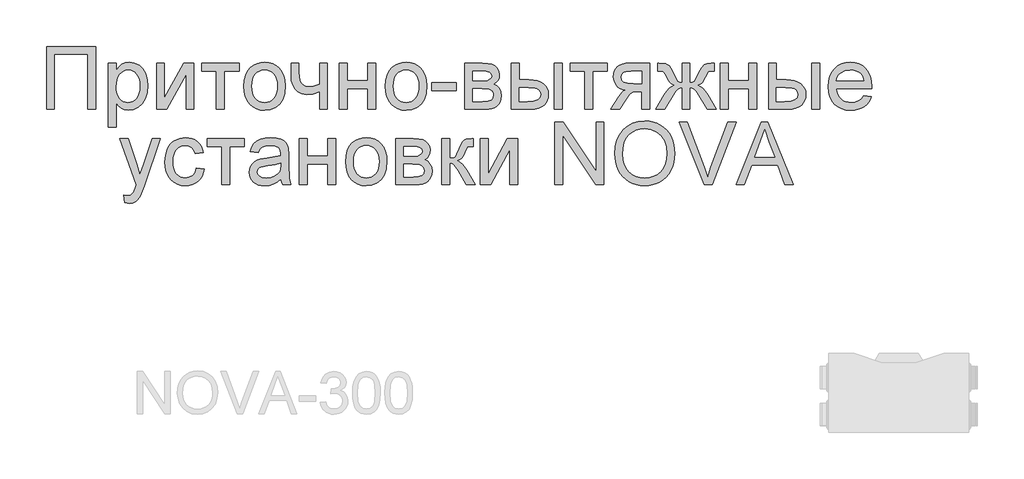
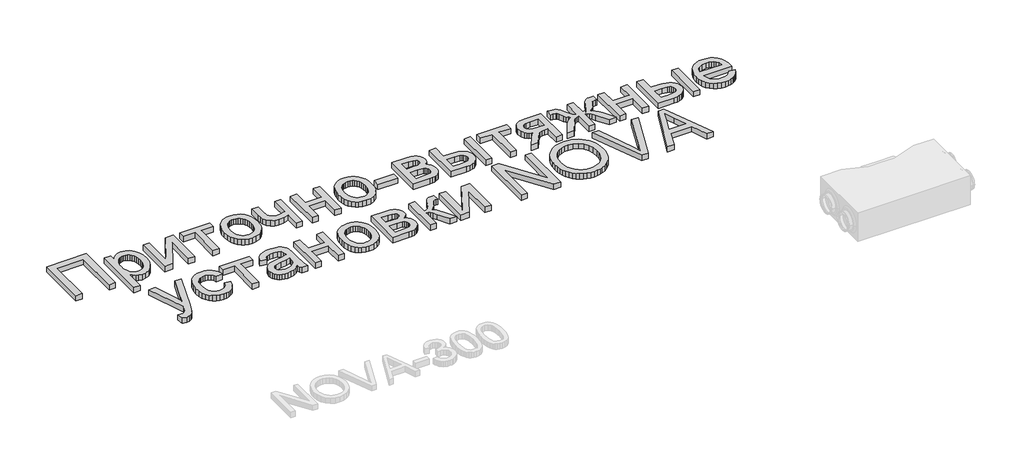
# One storey, part 20 of 74: 1 proxy.
"""IFC4 building model written with IfcOpenShell, lengths in millimetres."""

from ifc_helpers import new_model, si_unit, origin, origin_with_axes, place, context, project, spatial, polyline, outline, extrude, element, save

model = new_model("IFC4")

# Units and contexts
model_context = context("Model", 3, world=origin())
ifc_project = project(units=[si_unit("LENGTHUNIT", "METRE", prefix="MILLI")], contexts=[model_context])

# Site, building, storey
site = spatial("IfcSite", under=ifc_project)
building = spatial("IfcBuilding", under=site)
storey = spatial("IfcBuildingStorey", under=building, Elevation=0.0)

# Proxy
placement = place(None, origin())
element("IfcBuildingElementProxy", 1, Name="Generic Models", at=placement, inside=storey, context=model_context, shape_type="SweptSolid", body=[
    extrude(outline(polyline([(784.053786, -23404.5029647), (1135.3476476, -23404.5029647), (1135.3476476, -23854.1591075), (1079.1406297, -23854.1591075), (1079.1406297, -23460.7099826), (840.2608039, -23460.7099826), (840.2608039, -23854.1591075), (784.053786, -23854.1591075), (784.053786, -23404.5029647)])), origin_with_axes(), (0.0, 0.0, 1.0), 50.0),
    extrude(outline(polyline([(1226.6840516, -23980.6248977), (1226.6840516, -23523.9428777), (1282.8910695, -23523.9428777), (1282.8910695, -23579.0521022), (1301.2242179, -23551.8679952), (1321.7529529, -23532.4507759), (1345.6848472, -23520.8004443), (1374.2274735, -23516.9170004), (1412.2385671, -23522.3510774), (1445.4742598, -23538.6533081), (1472.534865, -23564.8356787), (1492.0206964, -23599.9101752), (1503.7945298, -23641.3244281), (1507.7191409, -23686.526068), (1503.2868003, -23734.5956929), (1489.9897788, -23777.5880237), (1468.2534711, -23813.3211961), (1438.5032722, -23839.6133461), (1403.8541706, -23855.7920751), (1367.4211549, -23861.1849848), (1341.5818447, -23857.5759892), (1318.5144626, -23846.7490027), (1298.7679053, -23830.4056046), (1282.8910695, -23810.2473749), (1282.8910695, -23980.6248977), (1226.6840516, -23980.6248977)]), holes=[polyline([(1282.8910695, -23691.6856966), (1284.4108271, -23718.7737467), (1288.9700999, -23742.0744098), (1296.5688881, -23761.5876861), (1307.2071914, -23777.3135753), (1320.0136366, -23789.4167467), (1334.1168501, -23798.061869), (1349.516832, -23803.2489425), (1366.2135822, -23804.9779669), (1383.1504748, -23803.1871916), (1398.8317662, -23797.8148655), (1413.2574565, -23788.8609888), (1426.4275457, -23776.3255613), (1437.4020483, -23760.0301918), (1445.2409787, -23739.7964887), (1449.9443369, -23715.6244521), (1451.512123, -23687.514082), (1449.9820736, -23660.6593129), (1445.3919253, -23637.399817), (1437.7416781, -23617.7355942), (1427.031332, -23601.6666445), (1414.1940114, -23589.1792456), (1400.1628406, -23580.2596749), (1384.9378195, -23574.9079324), (1368.5189482, -23573.1240183), (1352.151536, -23575.0211424), (1336.7515541, -23580.7125146), (1322.3190026, -23590.198135), (1308.8538814, -23603.4780035), (1297.4951512, -23620.3737288), (1289.3817724, -23640.7069194), (1284.5137452, -23664.4775753), (1282.8910695, -23691.6856966)])]), origin_with_axes(), (0.0, 0.0, 1.0), 50.0),
    extrude(outline(polyline([(1570.9520359, -23523.9428777), (1627.1590538, -23523.9428777), (1627.1590538, -23775.7766647), (1765.2614531, -23523.9428777), (1837.9353707, -23523.9428777), (1837.9353707, -23854.1591075), (1781.7283529, -23854.1591075), (1781.7283529, -23603.8622312), (1644.5041882, -23854.1591075), (1570.9520359, -23854.1591075), (1570.9520359, -23523.9428777)])), origin_with_axes(), (0.0, 0.0, 1.0), 50.0),
    extrude(outline(polyline([(1894.1423886, -23523.9428777), (2161.1257234, -23523.9428777), (2161.1257234, -23580.1498955), (2055.7375649, -23580.1498955), (2055.7375649, -23854.1591075), (1999.5305471, -23854.1591075), (1999.5305471, -23580.1498955), (1894.1423886, -23580.1498955), (1894.1423886, -23523.9428777)])), origin_with_axes(), (0.0, 0.0, 1.0), 50.0),
    extrude(outline(polyline([(2196.2551096, -23689.0509926), (2199.2946248, -23646.2850817), (2208.4131705, -23609.4335323), (2223.6107468, -23578.4963443), (2244.8873535, -23553.4735179), (2266.3080456, -23537.4800415), (2289.9517692, -23526.0561298), (2315.8185242, -23519.2017828), (2343.9083107, -23516.9170004), (2374.9175414, -23519.6992204), (2402.9558688, -23528.0458802), (2428.0232931, -23541.9569799), (2450.1198142, -23561.4325195), (2468.1545, -23585.8138229), (2481.0364185, -23614.4422143), (2488.7655696, -23647.3176935), (2491.3419533, -23684.4402607), (2486.786111, -23741.22362), (2481.0913082, -23764.5311444), (2473.1185842, -23784.4492319), (2450.7373229, -23816.8204123), (2420.0402773, -23841.0404774), (2383.5798168, -23856.1488579), (2343.9083107, -23861.1849848), (2312.4462404, -23858.4130567), (2284.147187, -23850.0972723), (2259.0111507, -23836.2376316), (2237.0381313, -23816.8341348), (2219.1955593, -23792.2161196), (2206.450865, -23762.7129242), (2198.8040484, -23728.3245485), (2196.2551096, -23689.0509926)]), holes=[polyline([(2252.4621274, -23688.9412133), (2254.0882338, -23716.2042242), (2258.9665528, -23739.8102111), (2267.0970846, -23759.7591741), (2278.479829, -23776.051113), (2292.3257472, -23788.7066116), (2307.8458003, -23797.7462534), (2325.0399881, -23803.1700386), (2343.9083107, -23804.9779669), (2362.6805765, -23803.1597467), (2379.8061522, -23797.7050862), (2395.285038, -23788.6139853), (2409.1172338, -23775.886444), (2420.4999783, -23759.4332667), (2428.63051, -23739.1652575), (2433.5088291, -23715.0824166), (2435.1349354, -23687.184744), (2433.4985373, -23660.7862453), (2428.5893428, -23637.7977671), (2420.4073519, -23618.2193094), (2408.9525648, -23602.0508722), (2395.0689099, -23589.3953736), (2379.600316, -23580.3557318), (2362.5467829, -23574.9319467), (2343.9083107, -23573.1240183), (2325.0399881, -23574.9250854), (2307.8458003, -23580.3282869), (2292.3257472, -23589.3336227), (2278.479829, -23601.9410929), (2267.0970846, -23618.1850034), (2258.9665528, -23638.0996603), (2254.0882338, -23661.6850636), (2252.4621274, -23688.9412133)])]), origin_with_axes(), (0.0, 0.0, 1.0), 50.0),
    extrude(outline(polyline([(2533.4972167, -23523.9428777), (2589.7042345, -23523.9428777), (2589.7042345, -23587.2855521), (2594.2600768, -23646.6761706), (2602.0132421, -23663.9389705), (2616.1610535, -23678.8415148), (2635.7017745, -23689.1333271), (2659.6336688, -23692.5639312), (2694.0220445, -23688.3099821), (2737.2476564, -23675.5481348), (2737.2476564, -23523.9428777), (2793.4546742, -23523.9428777), (2793.4546742, -23854.1591075), (2737.2476564, -23854.1591075), (2737.2476564, -23729.4497867), (2689.2740884, -23743.9406585), (2644.5939004, -23748.7709491), (2610.6034748, -23743.7348222), (2580.8669983, -23728.6264417), (2557.6898369, -23706.2177356), (2543.3773565, -23679.2806321), (2535.9672516, -23648.6247537), (2533.4972167, -23615.059723), (2533.4972167, -23523.9428777)])), origin_with_axes(), (0.0, 0.0, 1.0), 50.0),
    extrude(outline(polyline([(2877.765201, -23523.9428777), (2933.9722189, -23523.9428777), (2933.9722189, -23650.4086678), (3081.5156407, -23650.4086678), (3081.5156407, -23523.9428777), (3137.7226586, -23523.9428777), (3137.7226586, -23854.1591075), (3081.5156407, -23854.1591075), (3081.5156407, -23706.6156857), (2933.9722189, -23706.6156857), (2933.9722189, -23854.1591075), (2877.765201, -23854.1591075), (2877.765201, -23523.9428777)])), origin_with_axes(), (0.0, 0.0, 1.0), 50.0),
    extrude(outline(polyline([(3207.9814309, -23689.0509926), (3211.0209461, -23646.2850817), (3220.1394919, -23609.4335323), (3235.3370681, -23578.4963443), (3256.6136749, -23553.4735179), (3278.034367, -23537.4800415), (3301.6780905, -23526.0561298), (3327.5448456, -23519.2017828), (3355.6346321, -23516.9170004), (3386.6438627, -23519.6992204), (3414.6821901, -23528.0458802), (3439.7496144, -23541.9569799), (3461.8461355, -23561.4325195), (3479.8808214, -23585.8138229), (3492.7627398, -23614.4422143), (3500.4918909, -23647.3176935), (3503.0682746, -23684.4402607), (3498.5124323, -23741.22362), (3492.8176295, -23764.5311444), (3484.8449055, -23784.4492319), (3462.4636443, -23816.8204123), (3431.7665986, -23841.0404774), (3395.3061381, -23856.1488579), (3355.6346321, -23861.1849848), (3324.1725617, -23858.4130567), (3295.8735084, -23850.0972723), (3270.737472, -23836.2376316), (3248.7644526, -23816.8341348), (3230.9218806, -23792.2161196), (3218.1771863, -23762.7129242), (3210.5303697, -23728.3245485), (3207.9814309, -23689.0509926)]), holes=[polyline([(3264.1884487, -23688.9412133), (3265.8145551, -23716.2042242), (3270.6928741, -23739.8102111), (3278.8234059, -23759.7591741), (3290.2061504, -23776.051113), (3304.0520686, -23788.7066116), (3319.5721216, -23797.7462534), (3336.7663094, -23803.1700386), (3355.6346321, -23804.9779669), (3374.4068978, -23803.1597467), (3391.5324736, -23797.7050862), (3407.0113593, -23788.6139853), (3420.8435551, -23775.886444), (3432.2262996, -23759.4332667), (3440.3568314, -23739.1652575), (3445.2351504, -23715.0824166), (3446.8612568, -23687.184744), (3445.2248586, -23660.7862453), (3440.3156641, -23637.7977671), (3432.1336733, -23618.2193094), (3420.6788861, -23602.0508722), (3406.7952313, -23589.3953736), (3391.3266373, -23580.3557318), (3374.2731043, -23574.9319467), (3355.6346321, -23573.1240183), (3336.7663094, -23574.9250854), (3319.5721216, -23580.3282869), (3304.0520686, -23589.3336227), (3290.2061504, -23601.9410929), (3278.8234059, -23618.1850034), (3270.6928741, -23638.0996603), (3265.8145551, -23661.6850636), (3264.1884487, -23688.9412133)])]), origin_with_axes(), (0.0, 0.0, 1.0), 50.0),
    extrude(outline(polyline([(3538.1976608, -23720.6674401), (3538.1976608, -23664.4604223), (3713.8445916, -23664.4604223), (3713.8445916, -23720.6674401), (3538.1976608, -23720.6674401)])), origin_with_axes(), (0.0, 0.0, 1.0), 50.0),
    extrude(outline(polyline([(3777.0774866, -23523.9428777), (3900.9085728, -23523.9428777), (3940.717303, -23525.8228487), (3968.8070895, -23531.4627619), (3989.4730487, -23542.1113571), (4007.010297, -23559.0173742), (4018.9899666, -23581.0418526), (4022.9831897, -23607.0458318), (4020.5680444, -23627.9999617), (4013.3226086, -23646.0723842), (4001.2194372, -23661.3454338), (3984.2310856, -23673.9014448), (4005.034269, -23685.5792212), (4021.9951758, -23704.3652094), (4033.2750021, -23728.7773883), (4037.0349442, -23757.333737), (4033.9130945, -23780.3393682), (4027.5115872, -23800.1751212), (4017.8304224, -23816.840996), (4004.8696, -23830.3369926), (3988.6085365, -23840.7591679), (3969.0266482, -23848.2035788), (3946.1239351, -23852.6702254), (3919.9003972, -23854.1591075), (3777.0774866, -23854.1591075), (3777.0774866, -23523.9428777)]), holes=[polyline([(3833.2845045, -23797.9520897), (3902.2259248, -23797.9520897), (3939.7979011, -23795.4134426), (3963.3730126, -23787.7975015), (3976.0250806, -23773.9515833), (3980.8279264, -23752.723005), (3978.4265035, -23738.6575281), (3971.2222348, -23725.6623997), (3960.1619672, -23715.4940891), (3946.1925472, -23709.9090656), (3896.7369582, -23706.6156857), (3833.2845045, -23706.6156857), (3833.2845045, -23797.9520897)]), polyline([(3833.2845045, -23650.4086678), (3888.8328464, -23650.4086678), (3934.6657174, -23647.5544052), (3956.9509217, -23636.1373547), (3964.3198593, -23626.6963322), (3966.7761719, -23615.4988403), (3962.4673331, -23598.7300474), (3949.5408168, -23587.9442281), (3926.185264, -23582.0984787), (3890.5893157, -23580.1498955), (3833.2845045, -23580.1498955), (3833.2845045, -23650.4086678)])]), origin_with_axes(), (0.0, 0.0, 1.0), 50.0),
    extrude(outline(polyline([(4416.4323147, -23523.9428777), (4472.6393326, -23523.9428777), (4472.6393326, -23854.1591075), (4416.4323147, -23854.1591075), (4416.4323147, -23523.9428777)])), origin_with_axes(), (0.0, 0.0, 1.0), 50.0),
    extrude(outline(polyline([(4107.2937165, -23523.9428777), (4163.5007344, -23523.9428777), (4163.5007344, -23643.3827906), (4232.9910514, -23643.3827906), (4264.9677123, -23645.1426905), (4293.0540682, -23650.4223903), (4317.2501191, -23659.2218898), (4337.5558649, -23671.5411892), (4353.6213839, -23686.9548935), (4365.0967547, -23705.0376078), (4371.9819772, -23725.7893321), (4374.2770513, -23749.2100664), (4372.3524824, -23770.1058761), (4366.5787757, -23789.4304691), (4356.9559311, -23807.1838454), (4343.4839488, -23823.366005), (4325.7854621, -23836.8379874), (4303.4831048, -23846.4608319), (4276.5768767, -23852.2345386), (4245.0667779, -23854.1591075), (4107.2937165, -23854.1591075), (4107.2937165, -23523.9428777)]), holes=[polyline([(4163.5007344, -23797.9520897), (4221.2446629, -23797.9520897), (4266.0071854, -23795.0017702), (4295.7848291, -23786.1508115), (4312.4987324, -23771.042431), (4318.0700335, -23749.3198457), (4313.9395861, -23730.9592525), (4301.548244, -23714.7393562), (4290.7933001, -23708.1114291), (4275.0502578, -23703.3771954), (4228.5998781, -23699.5898085), (4163.5007344, -23699.5898085), (4163.5007344, -23797.9520897)])]), origin_with_axes(), (0.0, 0.0, 1.0), 50.0),
    extrude(outline(polyline([(4528.8463504, -23523.9428777), (4795.8296852, -23523.9428777), (4795.8296852, -23580.1498955), (4690.4415267, -23580.1498955), (4690.4415267, -23854.1591075), (4634.2345089, -23854.1591075), (4634.2345089, -23580.1498955), (4528.8463504, -23580.1498955), (4528.8463504, -23523.9428777)])), origin_with_axes(), (0.0, 0.0, 1.0), 50.0),
    extrude(outline(polyline([(5097.9424062, -23523.9428777), (5097.9424062, -23854.1591075), (5041.7353883, -23854.1591075), (5041.7353883, -23727.6933174), (5011.1069548, -23727.6933174), (4986.6810534, -23729.4772315), (4969.3908087, -23734.8289739), (4952.7317951, -23750.3901942), (4930.1995873, -23782.8025419), (4885.4096199, -23854.1591075), (4820.4202555, -23854.1591075), (4876.846832, -23763.9204969), (4901.7667403, -23731.535594), (4913.485684, -23722.0945715), (4924.7106207, -23717.1545015), (4904.0721063, -23712.5917981), (4886.2878546, -23705.3806682), (4871.3578655, -23695.521112), (4859.282139, -23683.0131294), (4843.3092462, -23653.2629305), (4837.9849486, -23619.341117), (4839.8031688, -23599.1005527), (4845.2578293, -23580.8634612), (4854.3489302, -23564.6298425), (4867.0764715, -23550.3996966), (4883.2483393, -23538.8248383), (4902.6724198, -23530.5570824), (4925.348713, -23525.5964289), (4951.277219, -23523.9428777), (5097.9424062, -23523.9428777)]), holes=[polyline([(5041.7353883, -23580.1498955), (4967.6343394, -23580.1498955), (4929.3625199, -23583.4021082), (4916.4325729, -23587.4673741), (4907.6399346, -23593.1587463), (4897.5539585, -23607.2791129), (4894.1919665, -23623.6225109), (4899.1457588, -23645.043203), (4914.0071358, -23659.90458), (4941.4656912, -23668.5908697), (4984.2110185, -23671.4862995), (5041.7353883, -23671.4862995), (5041.7353883, -23580.1498955)])]), origin_with_axes(), (0.0, 0.0, 1.0), 50.0),
    extrude(outline(polyline([(5386.0033727, -23523.9428777), (5386.0033727, -23664.4604223), (5405.8322645, -23661.5649924), (5418.7725032, -23652.8787028), (5449.7851644, -23592.7745187), (5469.1337716, -23555.3123217), (5486.7807992, -23535.1403695), (5508.2152137, -23526.7422506), (5539.3650991, -23523.9428777), (5561.6503034, -23523.9428777), (5561.6503034, -23580.4792335), (5546.1714177, -23580.1498955), (5527.6187106, -23581.6044717), (5517.1896741, -23585.9682001), (5497.1000564, -23622.4149382), (5484.9557178, -23646.8408396), (5473.7719484, -23662.374615), (5460.0906992, -23672.9957653), (5440.4539212, -23682.6837914), (5458.9448774, -23690.5947645), (5477.2025525, -23704.5573232), (5495.2269465, -23724.5714676), (5513.0180595, -23750.6371977), (5575.7020579, -23854.1591075), (5511.2615902, -23854.1591075), (5449.5656057, -23752.064329), (5432.7007559, -23725.2644497), (5418.1138272, -23709.6346173), (5403.3622295, -23702.1010107), (5386.0033727, -23699.5898085), (5386.0033727, -23854.1591075), (5329.7963548, -23854.1591075), (5329.7963548, -23699.5898085), (5312.5747221, -23702.046121), (5297.7956796, -23709.4150586), (5283.0989716, -23724.9351117), (5266.1243424, -23751.8447704), (5204.428358, -23854.1591075), (5140.0976696, -23854.1591075), (5202.5621093, -23750.6371977), (5220.5041689, -23724.5714676), (5238.6520646, -23704.5573232), (5257.0057967, -23690.5947645), (5275.5653649, -23682.6837914), (5254.1035056, -23671.9254169), (5240.2164201, -23660.2888077), (5227.591797, -23639.8424072), (5209.9173245, -23602.6546585), (5202.7542232, -23590.2770389), (5195.0971148, -23583.6628341), (5170.8358824, -23579.8205575), (5154.149424, -23580.1498955), (5154.149424, -23523.9428777), (5162.6024326, -23523.9428777), (5211.8933525, -23527.4558163), (5225.4236552, -23532.9447829), (5237.4719368, -23542.3858054), (5250.2886738, -23560.691509), (5266.1243424, -23592.7745187), (5296.8076656, -23652.4944751), (5309.7479044, -23661.4689355), (5329.7963548, -23664.4604223), (5329.7963548, -23523.9428777), (5386.0033727, -23523.9428777)])), origin_with_axes(), (0.0, 0.0, 1.0), 50.0),
    extrude(outline(polyline([(5603.8055668, -23523.9428777), (5660.0125847, -23523.9428777), (5660.0125847, -23650.4086678), (5807.5560066, -23650.4086678), (5807.5560066, -23523.9428777), (5863.7630244, -23523.9428777), (5863.7630244, -23854.1591075), (5807.5560066, -23854.1591075), (5807.5560066, -23706.6156857), (5660.0125847, -23706.6156857), (5660.0125847, -23854.1591075), (5603.8055668, -23854.1591075), (5603.8055668, -23523.9428777)])), origin_with_axes(), (0.0, 0.0, 1.0), 50.0),
    extrude(outline(polyline([(6257.2121494, -23523.9428777), (6313.4191672, -23523.9428777), (6313.4191672, -23854.1591075), (6257.2121494, -23854.1591075), (6257.2121494, -23523.9428777)])), origin_with_axes(), (0.0, 0.0, 1.0), 50.0),
    extrude(outline(polyline([(5948.0735512, -23523.9428777), (6004.280569, -23523.9428777), (6004.280569, -23643.3827906), (6073.770886, -23643.3827906), (6105.747547, -23645.1426905), (6133.8339029, -23650.4223903), (6158.0299537, -23659.2218898), (6178.3356995, -23671.5411892), (6194.4012186, -23686.9548935), (6205.8765894, -23705.0376078), (6212.7618118, -23725.7893321), (6215.056886, -23749.2100664), (6213.1323171, -23770.1058761), (6207.3586103, -23789.4304691), (6197.7357658, -23807.1838454), (6184.2637834, -23823.366005), (6166.5652968, -23836.8379874), (6144.2629394, -23846.4608319), (6117.3567113, -23852.2345386), (6085.8466125, -23854.1591075), (5948.0735512, -23854.1591075), (5948.0735512, -23523.9428777)]), holes=[polyline([(6004.280569, -23797.9520897), (6062.0244975, -23797.9520897), (6106.7870201, -23795.0017702), (6136.5646638, -23786.1508115), (6153.278567, -23771.042431), (6158.8498681, -23749.3198457), (6154.7194208, -23730.9592525), (6142.3280787, -23714.7393562), (6131.5731348, -23708.1114291), (6115.8300925, -23703.3771954), (6069.3797128, -23699.5898085), (6004.280569, -23699.5898085), (6004.280569, -23797.9520897)])]), origin_with_axes(), (0.0, 0.0, 1.0), 50.0),
    extrude(outline(polyline([(6628.9249667, -23755.7968263), (6684.0341912, -23762.8227035), (6675.5846132, -23784.8952104), (6664.1778546, -23804.3467358), (6649.8139151, -23821.1772796), (6632.4927949, -23835.3868418), (6612.3928854, -23846.6735294), (6589.692578, -23854.735449), (6564.3918726, -23859.5726008), (6536.4907693, -23861.1849848), (6501.6152479, -23858.4027648), (6470.5408358, -23850.056105), (6443.267533, -23836.1450053), (6419.7953397, -23816.6694658), (6400.9201558, -23792.1715218), (6387.4378817, -23763.1932088), (6379.3485171, -23729.7345268), (6376.6520623, -23691.7954759), (6379.375962, -23652.5699484), (6387.547661, -23617.9963201), (6401.1671593, -23588.074591), (6420.234457, -23562.8047611), (6443.6448995, -23542.7288658), (6470.2938323, -23528.3889406), (6500.1812553, -23519.7849855), (6533.3071687, -23516.9170004), (6565.3661642, -23519.7781243), (6594.3581996, -23528.3614958), (6620.2832749, -23542.6671149), (6643.1413901, -23562.6949818), (6661.8004459, -23587.909922), (6675.1283429, -23617.7767615), (6683.1250811, -23652.2955001), (6685.7906605, -23691.4661379), (6685.4613225, -23706.6156857), (6432.8590802, -23706.6156857), (6436.1147235, -23729.0449754), (6442.5882734, -23748.6886146), (6452.2797301, -23765.5466032), (6465.1890934, -23779.6189413), (6480.6027977, -23790.713515), (6497.8072773, -23798.6382105), (6516.8025323, -23803.3930278), (6537.5885626, -23804.9779669), (6567.5034305, -23802.0413698), (6592.6977872, -23793.2315784), (6613.1716325, -23777.9996962), (6628.9249667, -23755.7968263)]), holes=[polyline([(6432.8590802, -23650.4086678), (6629.5836426, -23650.4086678), (6621.9814239, -23620.7133586), (6607.0788796, -23599.4710579), (6591.7509404, -23587.9442281), (6574.3097491, -23579.7107782), (6554.7553056, -23574.7707083), (6533.08761, -23573.1240183), (6495.2000182, -23578.3797038), (6463.8717414, -23594.1467603), (6451.4152178, -23605.5466578), (6442.0942664, -23618.7236082), (6435.9088872, -23633.6776116), (6432.8590802, -23650.4086678)])]), origin_with_axes(), (0.0, 0.0, 1.0), 50.0),
    extrude(outline(polyline([(1342.6110259, -24521.0569809), (1335.5851487, -24466.9357703), (1364.1277749, -24471.8758403), (1379.1400986, -24470.3252072), (1390.8041526, -24465.673308), (1407.161273, -24448.3830633), (1422.5303794, -24406.9962552), (1426.9215527, -24393.3836181), (1307.4816398, -24064.3749608), (1366.7624789, -24064.3749608), (1430.1051533, -24247.7064449), (1452.170799, -24321.0390385), (1474.2364447, -24256.2692327), (1539.3355884, -24064.3749608), (1598.1773102, -24064.3749608), (1483.2383499, -24402.4953026), (1453.3783716, -24475.8278962), (1438.0915997, -24499.2383387), (1420.7739101, -24515.458235), (1400.6568476, -24524.9267023), (1376.9719568, -24528.0828581), (1342.6110259, -24521.0569809)])), origin_with_axes(), (0.0, 0.0, 1.0), 50.0),
    extrude(outline(polyline([(1855.5000638, -24275.1512778), (1911.7070817, -24282.177155), (1905.5937451, -24308.6991555), (1896.0360821, -24332.1679182), (1883.0340925, -24352.5834433), (1866.5877763, -24369.9457308), (1847.3901157, -24383.8019408), (1826.1340926, -24393.6992337), (1802.819707, -24399.6376094), (1777.446959, -24401.617068), (1745.9231377, -24398.8554316), (1717.6583904, -24390.5705227), (1692.652717, -24376.7623411), (1670.9061175, -24357.4308869), (1653.3036878, -24332.9398041), (1640.7305237, -24303.6527368), (1633.1866252, -24269.5696849), (1630.6719924, -24230.6906484), (1634.9671088, -24180.6724404), (1647.8524578, -24137.3233268), (1657.5679287, -24118.5682141), (1669.5338759, -24102.3174424), (1683.7502993, -24088.5710117), (1700.2171991, -24077.328922), (1736.9246631, -24062.3440432), (1776.6785036, -24057.3490836), (1801.615565, -24059.0643857), (1824.171787, -24064.2102918), (1844.3471698, -24072.7868021), (1862.1417134, -24084.7939165), (1877.2535245, -24099.9571867), (1889.3807101, -24118.0021644), (1898.5232701, -24138.9288495), (1904.6812044, -24162.7372421), (1848.4741866, -24169.7631193), (1838.2784312, -24145.2411611), (1822.4015953, -24127.6627456), (1801.7219137, -24117.0827625), (1777.117621, -24113.5561015), (1758.0194478, -24115.2919871), (1740.7943846, -24120.4996442), (1725.4424311, -24129.1790726), (1711.9635876, -24141.3302724), (1700.989085, -24157.2345531), (1693.1501546, -24177.1732242), (1688.4467963, -24201.1462858), (1686.8790103, -24229.1537378), (1688.4124903, -24257.5831541), (1693.0129304, -24281.8340946), (1700.6803306, -24301.9065593), (1711.4146909, -24317.8005482), (1724.6259474, -24329.8797053), (1739.7240361, -24338.5076746), (1756.7089571, -24343.6844562), (1775.5807103, -24345.4100501), (1804.6859556, -24341.1012113), (1828.5492379, -24328.174695), (1845.9080947, -24306.3011632), (1855.5000638, -24275.1512778)])), origin_with_axes(), (0.0, 0.0, 1.0), 50.0),
    extrude(outline(polyline([(1932.7847134, -24064.3749608), (2199.7680482, -24064.3749608), (2199.7680482, -24120.5819787), (2094.3798897, -24120.5819787), (2094.3798897, -24394.5911907), (2038.1728718, -24394.5911907), (2038.1728718, -24120.5819787), (1932.7847134, -24120.5819787), (1932.7847134, -24064.3749608)])), origin_with_axes(), (0.0, 0.0, 1.0), 50.0),
    extrude(outline(polyline([(2459.7255057, -24352.4359273), (2432.8707367, -24375.4621422), (2405.2200675, -24390.5293555), (2376.142267, -24398.8451398), (2345.0061041, -24401.617068), (2319.979847, -24399.9497944), (2298.0342725, -24394.9479736), (2279.1693805, -24386.6116056), (2263.3851709, -24374.9406903), (2250.9217862, -24360.6762384), (2242.0193685, -24344.5592603), (2236.6779179, -24326.5897559), (2234.8974343, -24306.7677253), (2237.587028, -24283.4670622), (2245.6558088, -24262.307096), (2258.1020406, -24244.1935062), (2273.9239868, -24230.0319724), (2292.5178611, -24219.3284876), (2313.2798772, -24211.5890447), (2361.9121212, -24203.1360362), (2419.3816013, -24194.2439103), (2459.3961677, -24183.8148738), (2459.7255057, -24171.30003), (2455.8557843, -24146.2154527), (2444.24662, -24129.8034426), (2418.283808, -24117.6179367), (2382.1115182, -24113.5561015), (2348.628822, -24116.2594175), (2325.2458243, -24124.3693656), (2309.3003764, -24139.3679668), (2298.1303294, -24162.7372421), (2241.9233116, -24155.7113649), (2251.6799497, -24124.973152), (2266.2394335, -24100.821699), (2286.9602824, -24082.3513264), (2315.2010155, -24068.6563548), (2349.7403377, -24060.1759014), (2389.3569541, -24057.3490836), (2427.3543253, -24059.8465634), (2457.4750294, -24067.3390028), (2480.1856287, -24078.6051067), (2495.9526852, -24092.4235801), (2506.4091666, -24109.5079886), (2513.1880403, -24130.5718979), (2515.9325236, -24179.7530385), (2515.9325236, -24249.6824728), (2518.7867862, -24347.3311884), (2529.984278, -24394.5911907), (2473.7772602, -24394.5911907), (2464.775355, -24375.0504697), (2459.7255057, -24352.4359273)]), holes=[polyline([(2459.7255057, -24240.0218916), (2421.9614156, -24249.3805797), (2369.0477777, -24257.2572467), (2320.6899821, -24266.3689313), (2308.1065262, -24272.5989083), (2298.7890054, -24281.189141), (2293.0255905, -24291.4809534), (2291.1044522, -24302.8156694), (2295.2897892, -24319.5295726), (2307.8458003, -24333.2245443), (2328.4980371, -24342.3636737), (2356.9720512, -24345.4100501), (2387.1613675, -24342.0480581), (2413.8377451, -24331.962082), (2435.4642734, -24317.1007049), (2450.5040419, -24299.4125101), (2457.1731363, -24281.189141), (2459.3961677, -24255.9398947), (2459.7255057, -24240.0218916)])]), origin_with_axes(), (0.0, 0.0, 1.0), 50.0),
    extrude(outline(polyline([(2593.2171731, -24064.3749608), (2649.424191, -24064.3749608), (2649.424191, -24190.840751), (2796.9676128, -24190.840751), (2796.9676128, -24064.3749608), (2853.1746307, -24064.3749608), (2853.1746307, -24394.5911907), (2796.9676128, -24394.5911907), (2796.9676128, -24247.0477689), (2649.424191, -24247.0477689), (2649.424191, -24394.5911907), (2593.2171731, -24394.5911907), (2593.2171731, -24064.3749608)])), origin_with_axes(), (0.0, 0.0, 1.0), 50.0),
    extrude(outline(polyline([(2923.433403, -24229.4830758), (2926.4729183, -24186.7171649), (2935.591464, -24149.8656154), (2950.7890402, -24118.9284275), (2972.065647, -24093.9056011), (2993.4863391, -24077.9121247), (3017.1300627, -24066.488213), (3042.9968177, -24059.633866), (3071.0866042, -24057.3490836), (3102.0958348, -24060.1313036), (3130.1341623, -24068.4779634), (3155.2015866, -24082.3890631), (3177.2981077, -24101.8646026), (3195.3327935, -24126.2459061), (3208.214712, -24154.8742975), (3215.943863, -24187.7497767), (3218.5202467, -24224.8723439), (3213.9644045, -24281.6557032), (3208.2696016, -24304.9632276), (3200.2968777, -24324.8813151), (3177.9156164, -24357.2524955), (3147.2185708, -24381.4725606), (3110.7581102, -24396.5809411), (3071.0866042, -24401.617068), (3039.6245339, -24398.8451398), (3011.3254805, -24390.5293555), (2986.1894441, -24376.6697148), (2964.2164248, -24357.2662179), (2946.3738527, -24332.6482028), (2933.6291584, -24303.1450074), (2925.9823419, -24268.7566317), (2923.433403, -24229.4830758)]), holes=[polyline([(2979.6404209, -24229.3732965), (2981.2665272, -24256.6363074), (2986.1448463, -24280.2422943), (2994.275378, -24300.1912572), (3005.6581225, -24316.4831962), (3019.5040407, -24329.1386948), (3035.0240937, -24338.1783366), (3052.2182816, -24343.6021217), (3071.0866042, -24345.4100501), (3089.8588699, -24343.5918299), (3106.9844457, -24338.1371694), (3122.4633315, -24329.0460685), (3136.2955273, -24316.3185272), (3147.6782717, -24299.8653498), (3155.8088035, -24279.5973407), (3160.6871225, -24255.5144998), (3162.3132289, -24227.6168271), (3160.6768307, -24201.2183285), (3155.7676362, -24178.2298503), (3147.5856454, -24158.6513926), (3136.1308583, -24142.4829554), (3122.2472034, -24129.8274568), (3106.7786094, -24120.7878149), (3089.7250764, -24115.3640298), (3071.0866042, -24113.5561015), (3052.2182816, -24115.3571686), (3035.0240937, -24120.7603701), (3019.5040407, -24129.7657059), (3005.6581225, -24142.373176), (2994.275378, -24158.6170865), (2986.1448463, -24178.5317434), (2981.2665272, -24202.1171467), (2979.6404209, -24229.3732965)])]), origin_with_axes(), (0.0, 0.0, 1.0), 50.0),
    extrude(outline(polyline([(3281.7531418, -24064.3749608), (3405.584228, -24064.3749608), (3445.3929582, -24066.2549319), (3473.4827447, -24071.8948451), (3494.1487039, -24082.5434402), (3511.6859522, -24099.4494573), (3523.6656217, -24121.4739358), (3527.6588449, -24147.477915), (3525.2436996, -24168.4320449), (3517.9982637, -24186.5044674), (3505.8950924, -24201.7775169), (3488.9067408, -24214.333528), (3509.7099242, -24226.0113044), (3526.6708309, -24244.7972926), (3537.9506573, -24269.2094715), (3541.7105994, -24297.7658201), (3538.5887496, -24320.7714513), (3532.1872424, -24340.6072043), (3522.5060775, -24357.2730791), (3509.5452552, -24370.7690757), (3493.2841917, -24381.191251), (3473.7023034, -24388.635662), (3450.7995903, -24393.1023085), (3424.5760524, -24394.5911907), (3281.7531418, -24394.5911907), (3281.7531418, -24064.3749608)]), holes=[polyline([(3337.9601597, -24190.840751), (3393.5085015, -24190.840751), (3439.3413725, -24187.9864884), (3461.6265769, -24176.5694379), (3468.9955145, -24167.1284154), (3471.4518271, -24155.9309235), (3467.1429883, -24139.1621306), (3454.216472, -24128.3763113), (3430.8609192, -24122.5305618), (3395.2649708, -24120.5819787), (3337.9601597, -24120.5819787), (3337.9601597, -24190.840751)]), polyline([(3337.9601597, -24338.3841729), (3406.90158, -24338.3841729), (3444.4735563, -24335.8455258), (3468.0486678, -24328.2295847), (3480.7007358, -24314.3836665), (3485.5035815, -24293.1550882), (3483.1021587, -24279.0896113), (3475.89789, -24266.0944829), (3464.8376223, -24255.9261723), (3450.8682024, -24250.3411488), (3401.4126134, -24247.0477689), (3337.9601597, -24247.0477689), (3337.9601597, -24338.3841729)])]), origin_with_axes(), (0.0, 0.0, 1.0), 50.0),
    extrude(outline(polyline([(3611.9693717, -24064.3749608), (3668.1763896, -24064.3749608), (3668.1763896, -24204.8925055), (3691.0379354, -24202.3675808), (3705.8307003, -24194.792807), (3718.9218857, -24175.0325272), (3736.6786926, -24135.9510851), (3750.9911729, -24103.9915772), (3762.3121665, -24085.1781442), (3772.8784272, -24074.9274991), (3784.9267089, -24068.6563548), (3826.0390686, -24064.3749608), (3836.7974431, -24064.3749608), (3836.7974431, -24120.9113167), (3821.6478953, -24120.5819787), (3804.0832023, -24122.0639997), (3794.2030624, -24126.5100626), (3774.8819, -24163.5056974), (3763.0120098, -24188.1648798), (3752.212468, -24203.5202638), (3739.1350051, -24213.7709089), (3720.4313515, -24223.1158745), (3738.243048, -24231.0268476), (3755.8900756, -24244.9894064), (3773.3724342, -24265.0035508), (3790.6901238, -24291.0692809), (3850.8491976, -24394.5911907), (3786.9576265, -24394.5911907), (3728.0061254, -24293.2648675), (3712.0881223, -24266.3003192), (3698.3657058, -24250.3960385), (3684.5060652, -24242.6154283), (3668.1763896, -24240.0218916), (3668.1763896, -24394.5911907), (3611.9693717, -24394.5911907), (3611.9693717, -24064.3749608)])), origin_with_axes(), (0.0, 0.0, 1.0), 50.0),
    extrude(outline(polyline([(3885.9785837, -24064.3749608), (3942.1856016, -24064.3749608), (3942.1856016, -24316.2087479), (4080.2880009, -24064.3749608), (4152.9619185, -24064.3749608), (4152.9619185, -24394.5911907), (4096.7549007, -24394.5911907), (4096.7549007, -24144.2943144), (3959.530736, -24394.5911907), (3885.9785837, -24394.5911907), (3885.9785837, -24064.3749608)])), origin_with_axes(), (0.0, 0.0, 1.0), 50.0),
    extrude(outline(polyline([(4419.9452533, -24394.5911907), (4419.9452533, -23944.9350479), (4480.1043271, -23944.9350479), (4715.0320971, -24301.1689794), (4715.0320971, -23944.9350479), (4771.2391149, -23944.9350479), (4771.2391149, -24394.5911907), (4711.0800411, -24394.5911907), (4476.1522712, -24038.2474799), (4476.1522712, -24394.5911907), (4419.9452533, -24394.5911907)])), origin_with_axes(), (0.0, 0.0, 1.0), 50.0),
    extrude(outline(polyline([(4848.5237645, -24175.6912032), (4852.2699841, -24122.9490955), (4863.5086432, -24076.2585735), (4882.2397417, -24035.6196371), (4908.4632796, -24001.0322864), (4940.6080402, -23973.4159233), (4977.1028068, -23953.6899496), (5017.9475794, -23941.8543654), (5063.142358, -23937.9091707), (5093.3934251, -23939.7616969), (5122.121304, -23945.3192756), (5149.3259946, -23954.5819067), (5175.0074971, -23967.5495902), (5198.4453844, -23983.8312374), (5218.9192297, -24003.0357592), (5236.4290332, -24025.1631558), (5250.9747946, -24050.2134271), (5262.4055675, -24077.6170927), (5270.5704053, -24106.8046726), (5275.469308, -24137.7761665), (5277.1022756, -24170.5315746), (5275.3835429, -24203.7192389), (5270.2273449, -24235.1092665), (5261.6336816, -24264.7016577), (5249.602553, -24292.4964122), (5234.4186992, -24317.7593809), (5216.3668603, -24339.7564145), (5195.4470364, -24358.487513), (5171.6592274, -24373.9526764), (5145.9399884, -24386.0558477), (5119.2258741, -24394.7009701), (5091.5168847, -24399.8880435), (5062.81302, -24401.617068), (5032.0336399, -24399.7062215), (5002.9283945, -24393.973682), (4975.497284, -24384.4194495), (4949.7403083, -24371.0435241), (4926.3298658, -24354.3639269), (4905.938355, -24334.8986791), (4888.5657757, -24312.6477808), (4874.2121281, -24287.6112319), (4862.973469, -24260.7941996), (4854.9458554, -24233.2018506), (4850.1292872, -24204.8341852), (4848.5237645, -24175.6912032)]), holes=[polyline([(4904.7307823, -24176.2400999), (4907.5404471, -24213.5033218), (4915.9694414, -24246.5812067), (4930.0177652, -24275.4737546), (4949.6854187, -24300.1809654), (4973.5932987, -24319.96869), (5000.3623027, -24334.1027789), (5029.9924304, -24342.5832323), (5062.483682, -24345.4100501), (5095.5306915, -24342.5557875), (5125.5107409, -24333.9929996), (5152.4238302, -24319.7216865), (5176.2699594, -24299.7418481), (5195.7935274, -24274.5131854), (5209.7389331, -24244.4953994), (5218.1061766, -24209.68849), (5220.8952577, -24170.0924573), (5216.1198568, -24120.3349752), (5201.793654, -24077.328922), (5178.2871546, -24042.1583686), (5145.9708638, -24015.9073859), (5106.9854786, -23999.5639879), (5063.471696, -23994.1161885), (5032.1091132, -23996.7406007), (5003.010729, -24004.6138371), (4976.1765436, -24017.7358979), (4951.606557, -24036.1067829), (4931.0984055, -24060.6115881), (4916.449726, -24092.1354094), (4907.6605182, -24130.6782466), (4904.7307823, -24176.2400999)])]), origin_with_axes(), (0.0, 0.0, 1.0), 50.0),
    extrude(outline(polyline([(5487.2199165, -24394.5911907), (5308.2796058, -23944.9350479), (5368.4386796, -23944.9350479), (5488.2079305, -24268.8938559), (5512.4691628, -24341.8971115), (5536.4010571, -24268.8938559), (5656.4996461, -23944.9350479), (5716.6587199, -23944.9350479), (5545.293183, -24394.5911907), (5487.2199165, -24394.5911907)])), origin_with_axes(), (0.0, 0.0, 1.0), 50.0),
    extrude(outline(polyline([(5716.5489405, -24394.5911907), (5896.0381479, -23944.9350479), (5943.9019366, -23944.9350479), (6123.391144, -24394.5911907), (6064.0005255, -24394.5911907), (6012.5140189, -24254.0736461), (5827.3162863, -24254.0736461), (5775.939559, -24394.5911907), (5716.5489405, -24394.5911907)]), holes=[polyline([(5847.9548006, -24197.8666282), (5991.9852839, -24197.8666282), (5951.4767105, -24087.3188412), (5919.9700423, -24001.1420658), (5891.9763127, -24077.65826), (5847.9548006, -24197.8666282)])]), origin_with_axes(), (0.0, 0.0, 1.0), 50.0),
])

save(model, "model.ifc")
